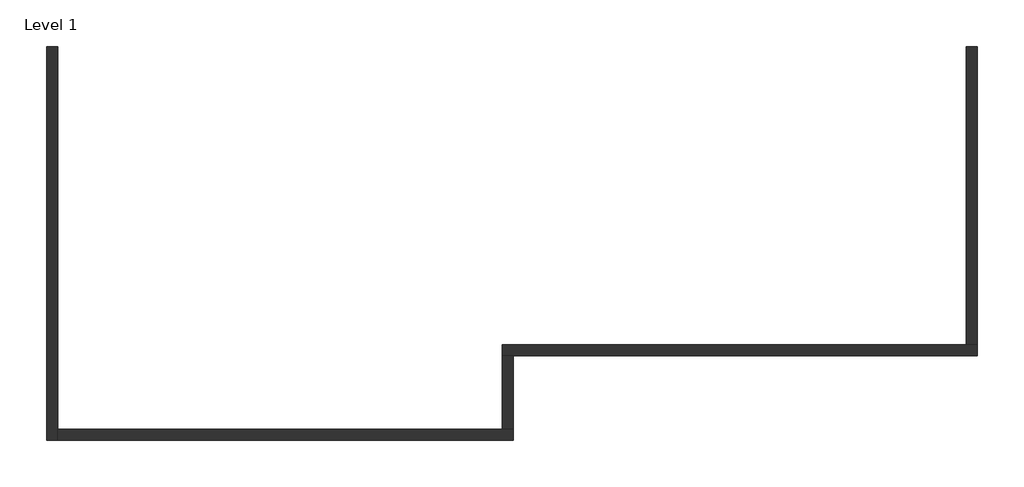
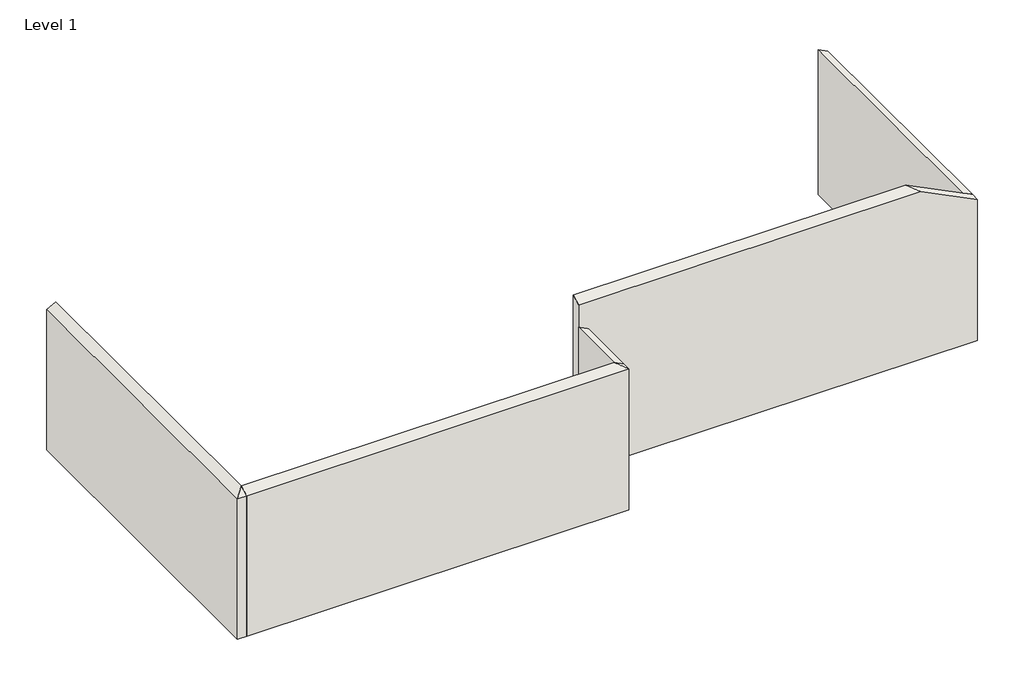
# One storey: 5 walls.
"""IFC4 building model written with IfcOpenShell, lengths in millimetres."""

from ifc_helpers import new_model, si_unit, frame, origin, place, context, project, spatial, polyline, outline, extrude, faceted_brep, element, save

model = new_model("IFC4")

# Units and contexts
model_context = context("Model", 3, world=origin())
ifc_project = project(units=[si_unit("LENGTHUNIT", "METRE", prefix="MILLI")], contexts=[model_context])

# Site, building, storey
site = spatial("IfcSite", under=ifc_project)
building = spatial("IfcBuilding", under=site)
storey = spatial("IfcBuildingStorey", under=building, Name="Level 1", Elevation=0.0)

# Walls
placement = place(None, origin())
element("IfcWall", 1, ObjectType="Generic - 8\"", at=placement, inside=storey, context=model_context, shape_type="Brep", body=[
    faceted_brep([(-10517.5353044, 4283.398761, 0.0), (-10517.5353044, -2828.601239, 0.0), (-10517.5353044, -2828.601239, 3200.4), (-10517.5353044, 4283.398761, 3200.4), (-10314.3353044, 4283.398761, 0.0), (-10314.3353044, 4283.398761, 3302.0), (-10314.3353044, -2625.401239, 3302.0), (-10314.3353044, -2828.601239, 3200.4), (-10314.3353044, -2828.601239, 0.0), (-10314.3353044, -2625.401239, 0.0)], [[[0, 1, 2, 3]], [[4, 5, 6, 7, 8, 9]], [[1, 0, 4, 9, 8]], [[0, 3, 5, 4]], [[2, 1, 8, 7]], [[3, 2, 6, 5]], [[2, 7, 6]]]),
])
element("IfcWall", 2, ObjectType="Generic - 8\"", at=placement, inside=storey, context=model_context, shape_type="Brep", body=[
    faceted_brep([(-10314.3353044, -2828.601239, 0.0), (-2084.7353044, -2828.601239, 0.0), (-2084.7353044, -2828.601239, 3200.4), (-10314.3353044, -2828.601239, 3200.4), (-10314.3353044, -2625.401239, 0.0), (-10314.3353044, -2625.401239, 3302.0), (-2287.9353044, -2625.401239, 3302.0), (-2084.7353044, -2625.401239, 3200.4), (-2084.7353044, -2625.401239, 0.0), (-2287.9353044, -2625.401239, 0.0)], [[[0, 1, 2, 3]], [[4, 5, 6, 7, 8, 9]], [[1, 0, 4, 9, 8]], [[0, 3, 5, 4]], [[2, 1, 8, 7]], [[3, 2, 6, 5]], [[2, 7, 6]]]),
])
element("IfcWall", 3, ObjectType="Generic - 8\"", at=placement, inside=storey, context=model_context, shape_type="SweptSolid", body=[
    extrude(outline(polyline([(0.0, -2084.7353044), (3200.4, -2084.7353044), (3302.0, -2287.9353044), (0.0, -2287.9353044), (0.0, -2084.7353044)])), frame((0.0, -2625.401239, 0.0), z_axis=(0.0, 1.0, 0.0), x_axis=(0.0, 0.0, 1.0)), (0.0, 0.0, 1.0), 1320.8),
])
element("IfcWall", 4, ObjectType="Generic - 8\"", at=placement, inside=storey, context=model_context, shape_type="Brep", body=[
    faceted_brep([(-2287.9353044, -1304.601239, 0.0), (-2084.7353044, -1304.601239, 0.0), (6297.2646956, -1304.601239, 0.0), (6297.2646956, -1304.601239, 3200.4), (5078.0646956, -1304.601239, 3810.0), (-2287.9353044, -1304.601239, 3810.0), (-2287.9353044, -1304.601239, 3302.0), (-2287.9353044, -1101.401239, 0.0), (-2287.9353044, -1101.401239, 3911.6), (4874.8646956, -1101.401239, 3911.6), (6094.0646956, -1101.401239, 3302.0), (6297.2646956, -1101.401239, 3200.4), (6297.2646956, -1101.401239, 0.0), (6094.0646956, -1101.401239, 0.0)], [[[0, 1, 2, 3, 4, 5, 6]], [[7, 8, 9, 10, 11, 12, 13]], [[2, 1, 0, 7, 13, 12]], [[3, 2, 12, 11]], [[4, 3, 11, 10, 9]], [[5, 4, 9, 8]], [[0, 6, 5, 8, 7]]]),
])
element("IfcWall", 5, ObjectType="Generic - 8\"", at=placement, inside=storey, context=model_context, shape_type="SweptSolid", body=[
    extrude(outline(polyline([(0.0, 6297.2646956), (3200.4, 6297.2646956), (3302.0, 6094.0646956), (0.0, 6094.0646956), (0.0, 6297.2646956)])), frame((0.0, -1101.401239, 0.0), z_axis=(0.0, 1.0, 0.0), x_axis=(0.0, 0.0, 1.0)), (0.0, 0.0, 1.0), 5384.8),
])

save(model, "model.ifc")
